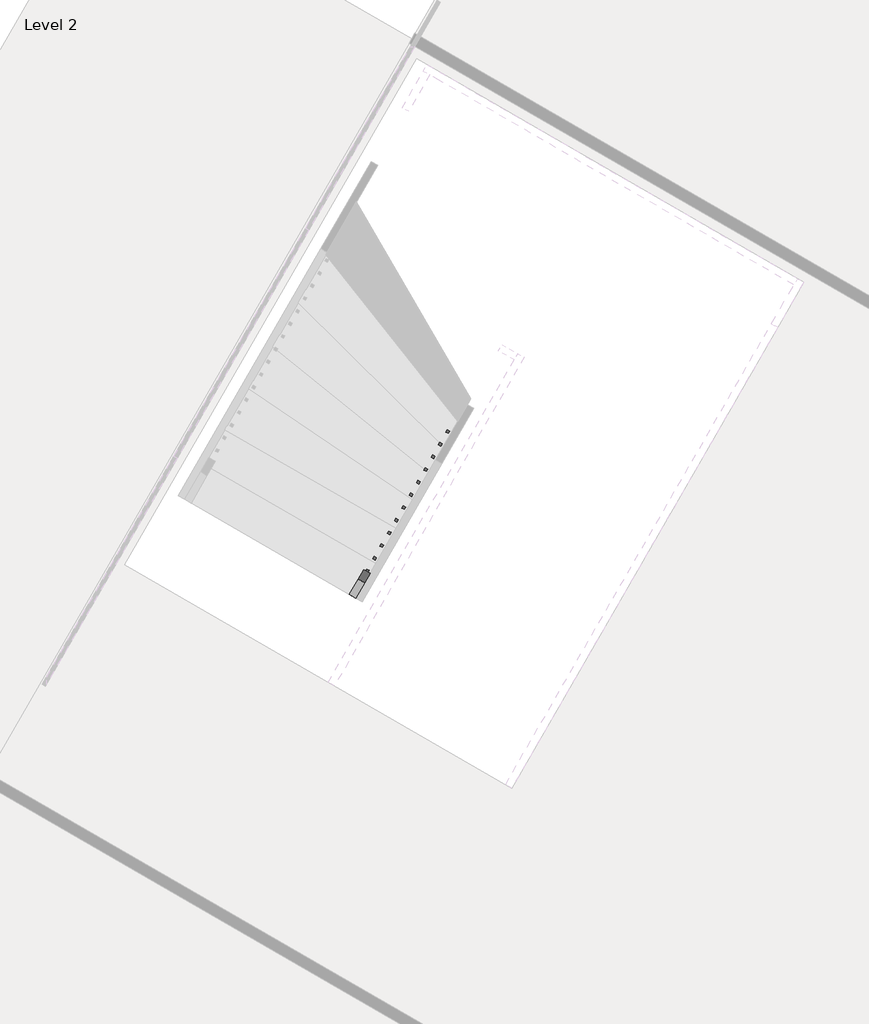
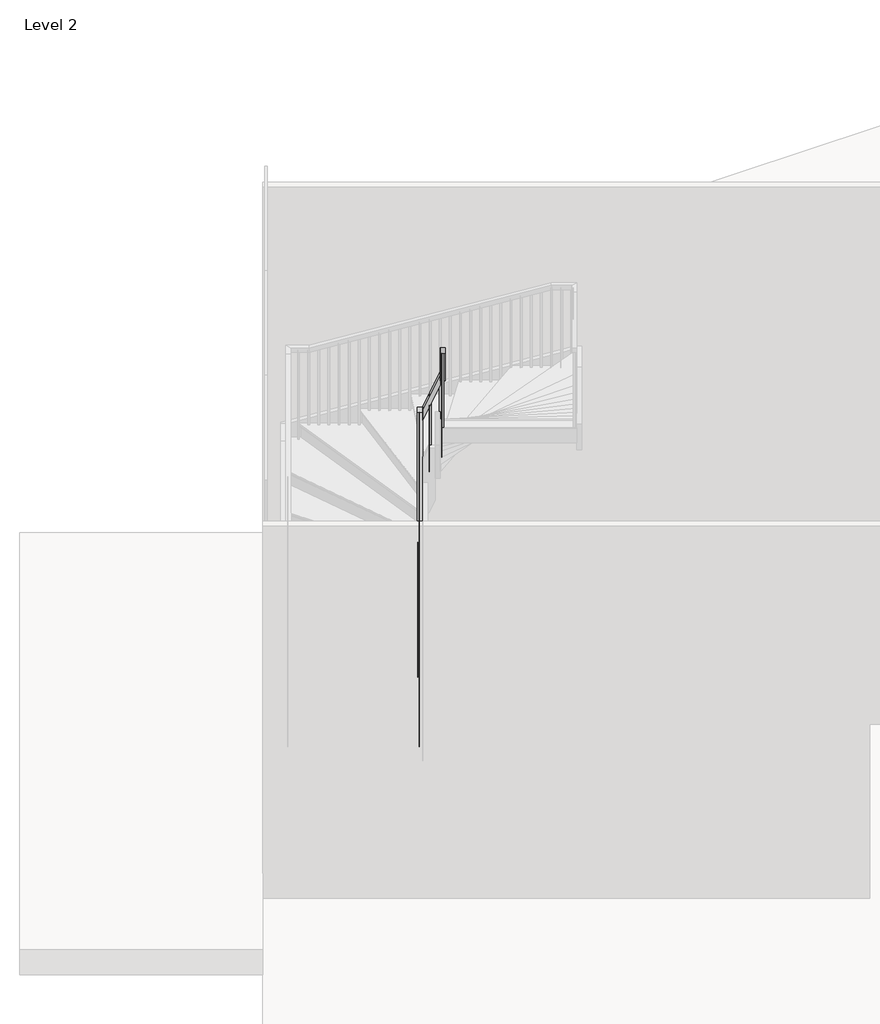
# One storey, part 4 of 5: 1 railing.
"""IFC4 building model written with IfcOpenShell, lengths in millimetres."""

from ifc_helpers import new_model, si_unit, frame, origin, place, context, project, spatial, polyline, outline, extrude, faceted_brep, element, save

model = new_model("IFC4")

# Units and contexts
model_context = context("Model", 3, world=origin())
ifc_project = project(units=[si_unit("LENGTHUNIT", "METRE", prefix="MILLI")], contexts=[model_context])

# Site, building, storey
site = spatial("IfcSite", under=ifc_project)
building = spatial("IfcBuilding", under=site)
storey = spatial("IfcBuildingStorey", under=building, Name="Level 2", Elevation=7620.0)

# Railing
placement = place(None, origin())
element("IfcRailing", 1, ObjectType="Handrail - Rectangular", at=placement, inside=storey, context=model_context, shape_type="SolidModel", body=[
    faceted_brep([(34014.7445548, -105247.8810454, 8710.2461538), (34014.7445548, -105247.8810454, 8642.1256213), (34058.7429103, -105273.2736568, 8642.1256213), (34058.7429103, -105273.2736568, 8710.2461538), (35013.3994654, -103517.4889589, 10495.1594253), (35023.0902639, -103500.6974918, 10444.3594253), (35067.0886194, -103526.0901032, 10444.3594253), (35057.3978209, -103542.8815702, 10495.1594253), (35056.3396329, -103443.0855535, 10495.1594253), (35100.3379884, -103468.4781649, 10495.1594253), (35100.3379884, -103468.4781649, 10444.3594253), (35056.3396329, -103443.0855535, 10444.3594253)], [[[0, 1, 2, 3]], [[1, 0, 4, 5]], [[2, 1, 5, 6]], [[3, 2, 6, 7]], [[0, 3, 7, 4]], [[8, 9, 10, 11]], [[5, 4, 8, 11]], [[6, 5, 11, 10]], [[7, 6, 10, 9]], [[4, 7, 9, 8]]]),
    faceted_brep([(35100.3379884, -103468.4781649, 10503.1386609), (35100.3379884, -103468.4781649, 10369.0722071), (35074.945377, -103512.4765204, 10369.0722071), (35074.945377, -103512.4765204, 10503.1386609), (35253.2433824, -103556.7239005, 10934.3105625), (35227.850771, -103600.722256, 10934.3105625), (35227.850771, -103600.722256, 10800.2441087), (35253.2433824, -103556.7239005, 10800.2441087)], [[[0, 1, 2, 3]], [[4, 5, 6, 7]], [[1, 0, 4, 7]], [[2, 1, 7, 6]], [[3, 2, 6, 5]], [[0, 3, 5, 4]]]),
    faceted_brep([(33954.6873083, -105908.39112, 13106.4), (33910.6889528, -105882.9985087, 13106.4), (33910.6889528, -105882.9985087, 13040.3438014), (33954.6873083, -105908.39112, 13040.3438014), (35244.9274311, -103672.7627016, 10894.924312), (35254.1024011, -103656.8650222, 10945.724312), (35200.9290756, -103647.3700902, 10894.924312), (35210.1040456, -103631.4724108, 10945.724312), (35297.2417379, -103582.1165118, 10945.724312), (35297.2417379, -103582.1165118, 10894.924312), (35253.2433824, -103556.7239005, 10894.924312), (35253.2433824, -103556.7239005, 10945.724312)], [[[0, 1, 2, 3]], [[4, 5, 0, 3]], [[6, 4, 3, 2]], [[7, 6, 2, 1]], [[5, 7, 1, 0]], [[8, 9, 10, 11]], [[9, 8, 5, 4]], [[10, 9, 4, 6]], [[11, 10, 6, 7]], [[8, 11, 7, 5]]]),
    extrude(outline(polyline([(236.5168117, -19.05), (220.6831883, 0.0), (1237.0891849, 0.0), (1237.0891849, -19.05), (236.5168117, -19.05)])), frame((33945.6190399, -105892.3446766, 13253.2430311), z_axis=(-0.8661093604012476, 0.4998545546709981, 0.0), x_axis=(0.0, 0.0, -1.0)), (0.0, 0.0, 1.0), 19.05),
    extrude(outline(polyline([(236.5168117, -19.05), (220.6831882, 0.0), (1152.6431932, 0.0), (1152.6431932, -19.05), (236.5168117, -19.05)])), frame((33996.4042626, -105804.3479656, 13168.7970394), z_axis=(-0.8661093604012476, 0.4998545546709981, 0.0), x_axis=(0.0, 0.0, -1.0)), (0.0, 0.0, 1.0), 19.05),
    extrude(outline(polyline([(236.5168118, -19.05), (220.6831883, 0.0), (1068.1972016, 0.0), (1068.1972016, -19.05), (236.5168118, -19.05)])), frame((34047.1894854, -105716.3512546, 13084.3510478), z_axis=(-0.8661093604012476, 0.4998545546709981, 0.0), x_axis=(0.0, 0.0, -1.0)), (0.0, 0.0, 1.0), 19.05),
    extrude(outline(polyline([(236.5168117, -19.05), (220.6831883, 0.0), (1159.5973638, 0.0), (1159.5973638, -19.05), (236.5168117, -19.05)])), frame((34097.9747081, -105628.3545436, 12999.9050561), z_axis=(-0.8661093604012476, 0.4998545546709981, 0.0), x_axis=(0.0, 0.0, -1.0)), (0.0, 0.0, 1.0), 19.05),
    extrude(outline(polyline([(236.5168117, -19.05), (220.6831883, 0.0), (1075.1513721, 0.0), (1075.1513721, -19.05), (236.5168117, -19.05)])), frame((34148.7599309, -105540.3578326, 12915.4590644), z_axis=(-0.8661093604012476, 0.4998545546709981, 0.0), x_axis=(0.0, 0.0, -1.0)), (0.0, 0.0, 1.0), 19.05),
    extrude(outline(polyline([(236.5168117, -19.05), (220.6831882, 0.0), (990.7053804, 0.0), (990.7053804, -19.05), (236.5168117, -19.05)])), frame((34199.5451536, -105452.3611215, 12831.0130727), z_axis=(-0.8661093604012476, 0.4998545546709981, 0.0), x_axis=(0.0, 0.0, -1.0)), (0.0, 0.0, 1.0), 19.05),
    extrude(outline(polyline([(236.5168118, -19.05), (220.6831883, 0.0), (1082.1055426, 0.0), (1082.1055426, -19.05), (236.5168118, -19.05)])), frame((34250.3303764, -105364.3644105, 12746.5670811), z_axis=(-0.8661093604012476, 0.4998545546709981, 0.0), x_axis=(0.0, 0.0, -1.0)), (0.0, 0.0, 1.0), 19.05),
    extrude(outline(polyline([(236.5168117, -19.05), (220.6831883, 0.0), (997.6595509, 0.0), (997.6595509, -19.05), (236.5168117, -19.05)])), frame((34301.1155991, -105276.3676995, 12662.1210894), z_axis=(-0.8661093604012476, 0.4998545546709981, 0.0), x_axis=(0.0, 0.0, -1.0)), (0.0, 0.0, 1.0), 19.05),
    extrude(outline(polyline([(236.5168117, -19.05), (220.6831883, 0.0), (1089.0597131, 0.0), (1089.0597131, -19.05), (236.5168117, -19.05)])), frame((34351.9008219, -105188.3709885, 12577.6750977), z_axis=(-0.8661093604012476, 0.4998545546709981, 0.0), x_axis=(0.0, 0.0, -1.0)), (0.0, 0.0, 1.0), 19.05),
    extrude(outline(polyline([(236.5168117, -19.05), (220.6831882, 0.0), (1004.6137214, 0.0), (1004.6137214, -19.05), (236.5168117, -19.05)])), frame((34402.6860446, -105100.3742775, 12493.229106), z_axis=(-0.8661093604012476, 0.4998545546709981, 0.0), x_axis=(0.0, 0.0, -1.0)), (0.0, 0.0, 1.0), 19.05),
    extrude(outline(polyline([(236.5168118, -19.0500001), (220.6831883, 0.0), (920.1677298, 0.0), (920.1677298, -19.0500001), (236.5168118, -19.0500001)])), frame((34453.4712674, -105012.3775665, 12408.7831144), z_axis=(-0.8661093604012476, 0.4998545546709981, 0.0), x_axis=(0.0, 0.0, -1.0)), (0.0, 0.0, 1.0), 19.05),
    extrude(outline(polyline([(236.5168117, -19.05), (220.6831883, 0.0), (1011.5678919, 0.0), (1011.5678919, -19.05), (236.5168117, -19.05)])), frame((34504.2564902, -104924.3808554, 12324.3371227), z_axis=(-0.8661093604012476, 0.4998545546709981, 0.0), x_axis=(0.0, 0.0, -1.0)), (0.0, 0.0, 1.0), 19.05),
    extrude(outline(polyline([(236.5168117, -19.05), (220.6831883, 0.0), (927.1219002, 0.0), (927.1219002, -19.05), (236.5168117, -19.05)])), frame((34555.0417129, -104836.3841444, 12239.891131), z_axis=(-0.8661093604012476, 0.4998545546709981, 0.0), x_axis=(0.0, 0.0, -1.0)), (0.0, 0.0, 1.0), 19.05),
    extrude(outline(polyline([(236.5168117, -19.05), (220.6831882, 0.0), (1018.5220624, 0.0), (1018.5220624, -19.05), (236.5168117, -19.05)])), frame((34605.8269357, -104748.3874334, 12155.4451393), z_axis=(-0.8661093604012476, 0.4998545546709981, 0.0), x_axis=(0.0, 0.0, -1.0)), (0.0, 0.0, 1.0), 19.05),
    extrude(outline(polyline([(236.5168118, -19.05), (220.6831883, 0.0), (934.0760708, 0.0), (934.0760708, -19.05), (236.5168118, -19.05)])), frame((34656.6121584, -104660.3907224, 12070.9991477), z_axis=(-0.8661093604012476, 0.4998545546709981, 0.0), x_axis=(0.0, 0.0, -1.0)), (0.0, 0.0, 1.0), 19.05),
    extrude(outline(polyline([(236.5168117, -19.05), (220.6831883, 0.0), (1025.4762329, 0.0), (1025.4762329, -19.05), (236.5168117, -19.05)])), frame((34707.3973812, -104572.3940114, 11986.553156), z_axis=(-0.8661093604012476, 0.4998545546709981, 0.0), x_axis=(0.0, 0.0, -1.0)), (0.0, 0.0, 1.0), 19.05),
    extrude(outline(polyline([(236.5168117, -19.0500001), (220.6831883, 0.0), (941.0302412, 0.0), (941.0302412, -19.0500001), (236.5168117, -19.0500001)])), frame((34758.1826039, -104484.3973004, 11902.1071643), z_axis=(-0.8661093604012476, 0.4998545546709981, 0.0), x_axis=(0.0, 0.0, -1.0)), (0.0, 0.0, 1.0), 19.05),
    extrude(outline(polyline([(236.5168117, -19.05), (220.6831882, 0.0), (856.5842495, 0.0), (856.5842495, -19.05), (236.5168117, -19.05)])), frame((34808.9678267, -104396.4005893, 11817.6611726), z_axis=(-0.8661093604012476, 0.4998545546709981, 0.0), x_axis=(0.0, 0.0, -1.0)), (0.0, 0.0, 1.0), 19.05),
    extrude(outline(polyline([(236.5168118, -19.05), (220.6831883, 0.0), (947.9844118, 0.0), (947.9844118, -19.05), (236.5168118, -19.05)])), frame((34859.7530494, -104308.4038783, 11733.215181), z_axis=(-0.8661093604012476, 0.4998545546709981, 0.0), x_axis=(0.0, 0.0, -1.0)), (0.0, 0.0, 1.0), 19.05),
    extrude(outline(polyline([(236.5168117, -19.05), (220.6831883, 0.0), (863.5384201, 0.0), (863.5384201, -19.05), (236.5168117, -19.05)])), frame((34910.5382722, -104220.4071673, 11648.7691893), z_axis=(-0.8661093604012476, 0.4998545546709981, 0.0), x_axis=(0.0, 0.0, -1.0)), (0.0, 0.0, 1.0), 19.05),
    extrude(outline(polyline([(236.5168117, -19.05), (220.6831883, 0.0), (954.9385822, 0.0), (954.9385822, -19.05), (236.5168117, -19.05)])), frame((34961.3234949, -104132.4104563, 11564.3231976), z_axis=(-0.8661093604012476, 0.4998545546709981, 0.0), x_axis=(0.0, 0.0, -1.0)), (0.0, 0.0, 1.0), 19.05),
    extrude(outline(polyline([(236.5168117, -19.05), (220.6831882, 0.0), (1046.3387444, 0.0), (1046.3387444, -19.05), (236.5168117, -19.05)])), frame((35012.1087177, -104044.4137453, 11479.8772059), z_axis=(-0.8661093604012476, 0.4998545546709981, 0.0), x_axis=(0.0, 0.0, -1.0)), (0.0, 0.0, 1.0), 19.05),
    extrude(outline(polyline([(236.5168118, -19.05), (220.6831883, 0.0), (961.8927528, 0.0), (961.8927528, -19.05), (236.5168118, -19.05)])), frame((35062.8939405, -103956.4170343, 11395.4312143), z_axis=(-0.8661093604012476, 0.4998545546709981, 0.0), x_axis=(0.0, 0.0, -1.0)), (0.0, 0.0, 1.0), 19.05),
    extrude(outline(polyline([(236.5168117, -19.05), (220.6831883, 0.0), (1053.2929149, 0.0), (1053.2929149, -19.05), (236.5168117, -19.05)])), frame((35113.6791632, -103868.4203232, 11310.9852226), z_axis=(-0.8661093604012476, 0.4998545546709981, 0.0), x_axis=(0.0, 0.0, -1.0)), (0.0, 0.0, 1.0), 19.05),
    extrude(outline(polyline([(236.5168117, -19.05), (220.6831883, 0.0), (1144.6930771, 0.0), (1144.6930771, -19.05), (236.5168117, -19.05)])), frame((35164.464386, -103780.4236122, 11226.5392309), z_axis=(-0.8661093604012476, 0.4998545546709981, 0.0), x_axis=(0.0, 0.0, -1.0)), (0.0, 0.0, 1.0), 19.05),
    extrude(outline(polyline([(236.5168117, -19.05), (220.6831882, 0.0), (1060.2470854, 0.0), (1060.2470854, -19.05), (236.5168117, -19.05)])), frame((35215.2496087, -103692.4269012, 11142.0932392), z_axis=(-0.8661093604012476, 0.4998545546709981, 0.0), x_axis=(0.0, 0.0, -1.0)), (0.0, 0.0, 1.0), 19.05),
    extrude(outline(polyline([(205.3370192, -19.05), (251.8629807, 0.0), (1125.9145148, 0.0), (1125.9145148, -19.05), (205.3370192, -19.05)])), frame((35228.6251207, -103582.8400595, 11031.9145148), z_axis=(0.4998545546710269, 0.8661093604012311, 0.0), x_axis=(0.0, 0.0, -1.0000000000000002)), (0.0, 0.0, 1.0), 19.05),
    extrude(outline(polyline([(205.3370192, -19.05), (251.8629808, 0.0), (1053.6222071, 0.0), (1053.6222071, -19.05), (205.3370192, -19.05)])), frame((35140.6284097, -103532.0548367, 10783.7760533), z_axis=(0.4998545546710269, 0.8661093604012311, 0.0), x_axis=(0.0, 0.0, -1.0000000000000002)), (0.0, 0.0, 1.0), 19.05),
    extrude(outline(polyline([(35055.9367647, -103513.6539371), (35039.4373814, -103504.1317078), (35048.9596106, -103487.6323245), (35065.4589939, -103497.1545538), (35055.9367647, -103513.6539371)])), frame((0.0, 0.0, 9554.3076923), z_axis=(0.0, 0.0, 1.0), x_axis=(1.0, 0.0, 0.0)), (0.0, 0.0, 1.0), 890.0517329),
    extrude(outline(polyline([(220.0903771, -19.05), (237.1096229, 0.0), (1216.8809905, 0.0), (1216.8809905, -19.05), (220.0903771, -19.05)])), frame((35005.1515419, -103601.6506481, 10595.342529), z_axis=(-0.8661093604012488, 0.49985455467099604, 0.0), x_axis=(0.0, 0.0, -1.0)), (0.0, 0.0, 1.0), 19.05),
    extrude(outline(polyline([(220.0903771, -19.05), (237.1096229, 0.0), (1301.9578334, 0.0), (1301.9578334, -19.05), (220.0903771, -19.05)])), frame((34954.3663192, -103689.6473591, 10504.573218), z_axis=(-0.8661093604012488, 0.49985455467099604, 0.0), x_axis=(0.0, 0.0, -1.0)), (0.0, 0.0, 1.0), 19.05),
    extrude(outline(polyline([(220.0903771, -19.05), (237.1096229, 0.0), (1211.1885225, 0.0), (1211.1885225, -19.05), (220.0903771, -19.05)])), frame((34903.5810964, -103777.6440701, 10413.8039071), z_axis=(-0.8661093604012488, 0.49985455467099604, 0.0), x_axis=(0.0, 0.0, -1.0)), (0.0, 0.0, 1.0), 19.05),
    extrude(outline(polyline([(220.0903771, -19.05), (237.1096229, 0.0), (1296.2653654, 0.0), (1296.2653654, -19.05), (220.0903771, -19.05)])), frame((34852.7958737, -103865.6407811, 10323.0345962), z_axis=(-0.8661093604012488, 0.49985455467099604, 0.0), x_axis=(0.0, 0.0, -1.0)), (0.0, 0.0, 1.0), 19.05),
    extrude(outline(polyline([(220.0903771, -19.0500001), (237.1096229, 0.0), (1381.3422083, 0.0), (1381.3422083, -19.0500001), (220.0903771, -19.0500001)])), frame((34802.0106509, -103953.6374922, 10232.2652852), z_axis=(-0.8661093604012488, 0.49985455467099604, 0.0), x_axis=(0.0, 0.0, -1.0)), (0.0, 0.0, 1.0), 19.05),
    extrude(outline(polyline([(220.0903771, -19.05), (237.1096229, 0.0), (1290.5728974, 0.0), (1290.5728974, -19.05), (220.0903771, -19.05)])), frame((34751.2254281, -104041.6342032, 10141.4959743), z_axis=(-0.8661093604012488, 0.49985455467099604, 0.0), x_axis=(0.0, 0.0, -1.0)), (0.0, 0.0, 1.0), 19.05),
    extrude(outline(polyline([(220.0903771, -19.05), (237.1096229, 0.0), (1375.6497403, 0.0), (1375.6497403, -19.05), (220.0903771, -19.05)])), frame((34700.4402054, -104129.6309142, 10050.7266634), z_axis=(-0.8661093604012488, 0.49985455467099604, 0.0), x_axis=(0.0, 0.0, -1.0)), (0.0, 0.0, 1.0), 19.05),
    extrude(outline(polyline([(220.0903771, -19.05), (237.1096229, 0.0), (1460.7265833, 0.0), (1460.7265833, -19.05), (220.0903771, -19.05)])), frame((34649.6549826, -104217.6276252, 9959.9573525), z_axis=(-0.8661093604012488, 0.49985455467099604, 0.0), x_axis=(0.0, 0.0, -1.0)), (0.0, 0.0, 1.0), 19.05),
    extrude(outline(polyline([(220.0903771, -19.05), (237.1096229, 0.0), (1369.9572723, 0.0), (1369.9572723, -19.05), (220.0903771, -19.05)])), frame((34598.8697599, -104305.6243362, 9869.1880415), z_axis=(-0.8661093604012488, 0.49985455467099604, 0.0), x_axis=(0.0, 0.0, -1.0)), (0.0, 0.0, 1.0), 19.05),
    extrude(outline(polyline([(220.0903771, -19.05), (237.1096229, 0.0), (1279.1879614, 0.0), (1279.1879614, -19.05), (220.0903771, -19.05)])), frame((34548.0845371, -104393.6210472, 9778.4187306), z_axis=(-0.8661093604012488, 0.49985455467099604, 0.0), x_axis=(0.0, 0.0, -1.0)), (0.0, 0.0, 1.0), 19.05),
    extrude(outline(polyline([(220.0903771, -19.05), (237.1096229, 0.0), (1364.2648043, 0.0), (1364.2648043, -19.05), (220.0903771, -19.05)])), frame((34497.2993144, -104481.6177583, 9687.6494197), z_axis=(-0.8661093604012488, 0.49985455467099604, 0.0), x_axis=(0.0, 0.0, -1.0)), (0.0, 0.0, 1.0), 19.05),
    extrude(outline(polyline([(220.0903771, -19.05), (237.1096229, 0.0), (1273.4954933, 0.0), (1273.4954933, -19.05), (220.0903771, -19.05)])), frame((34446.5140916, -104569.6144693, 9596.8801087), z_axis=(-0.8661093604012488, 0.49985455467099604, 0.0), x_axis=(0.0, 0.0, -1.0)), (0.0, 0.0, 1.0), 19.05),
    extrude(outline(polyline([(220.0903771, -19.05), (237.1096229, 0.0), (1358.5723363, 0.0), (1358.5723363, -19.05), (220.0903771, -19.05)])), frame((34395.7288689, -104657.6111803, 9506.1107978), z_axis=(-0.8661093604012488, 0.49985455467099604, 0.0), x_axis=(0.0, 0.0, -1.0)), (0.0, 0.0, 1.0), 19.05),
    extrude(outline(polyline([(220.0903771, -19.05), (237.1096229, 0.0), (1267.8030254, 0.0), (1267.8030254, -19.05), (220.0903771, -19.05)])), frame((34344.9436461, -104745.6078913, 9415.3414869), z_axis=(-0.8661093604012488, 0.49985455467099604, 0.0), x_axis=(0.0, 0.0, -1.0)), (0.0, 0.0, 1.0), 19.05),
    extrude(outline(polyline([(220.0903771, -19.05), (237.1096229, 0.0), (1352.8798683, 0.0), (1352.8798683, -19.05), (220.0903771, -19.05)])), frame((34294.1584234, -104833.6046023, 9324.572176), z_axis=(-0.8661093604012488, 0.49985455467099604, 0.0), x_axis=(0.0, 0.0, -1.0)), (0.0, 0.0, 1.0), 19.05),
    extrude(outline(polyline([(220.0903771, -19.05), (237.1096229, 0.0), (1262.1105573, 0.0), (1262.1105573, -19.05), (220.0903771, -19.05)])), frame((34243.3732006, -104921.6013133, 9233.802865), z_axis=(-0.8661093604012488, 0.49985455467099604, 0.0), x_axis=(0.0, 0.0, -1.0)), (0.0, 0.0, 1.0), 19.05),
    extrude(outline(polyline([(220.0903771, -19.0500001), (237.1096229, 0.0), (1171.3412464, 0.0), (1171.3412464, -19.0500001), (220.0903771, -19.0500001)])), frame((34192.5879778, -105009.5980244, 9143.0335541), z_axis=(-0.8661093604012488, 0.49985455467099604, 0.0), x_axis=(0.0, 0.0, -1.0)), (0.0, 0.0, 1.0), 19.05),
    extrude(outline(polyline([(220.0903771, -19.05), (237.1096229, 0.0), (1256.4180894, 0.0), (1256.4180894, -19.05), (220.0903771, -19.05)])), frame((34141.8027551, -105097.5947354, 9052.2642432), z_axis=(-0.8661093604012488, 0.49985455467099604, 0.0), x_axis=(0.0, 0.0, -1.0)), (0.0, 0.0, 1.0), 19.05),
    extrude(outline(polyline([(220.0903771, -19.05), (237.1096229, 0.0), (1165.6487784, 0.0), (1165.6487784, -19.05), (220.0903771, -19.05)])), frame((34091.0175323, -105185.5914464, 8961.4949322), z_axis=(-0.8661093604012488, 0.49985455467099604, 0.0), x_axis=(0.0, 0.0, -1.0)), (0.0, 0.0, 1.0), 19.05),
    extrude(outline(polyline([(205.3370193, -19.05), (251.8629808, 0.0), (1184.8787241, 0.0), (1184.8787241, -19.05), (205.3370193, -19.05)])), frame((35249.5354482, -103594.9079609, 11090.8787241), z_axis=(0.4998545546710269, 0.8661093604012311, 0.0), x_axis=(0.0, 0.0, -1.0000000000000002)), (0.0, 0.0, 1.0), 19.05),
    extrude(outline(polyline([(35069.131082, -103490.7918432), (35052.6316987, -103481.269614), (35062.1539279, -103464.7702306), (35078.6533113, -103474.2924599), (35069.131082, -103490.7918432)])), frame((0.0, 0.0, 9554.3076923), z_axis=(0.0, 0.0, 1.0), x_axis=(1.0, 0.0, 0.0)), (0.0, 0.0, 1.0), 890.0517329),
    extrude(outline(polyline([(236.5168117, -19.05), (220.6831882, 0.0), (1244.8731434, 0.0), (1244.8731434, -19.05), (236.5168117, -19.05)])), frame((33940.9378222, -105900.455929, 13261.0269896), z_axis=(-0.8661093604012476, 0.4998545546709981, 0.0), x_axis=(0.0, 0.0, -1.0)), (0.0, 0.0, 1.0), 19.05),
    extrude(outline(polyline([(220.0903771, -19.05), (237.1096229, 0.0), (1083.3890904, 0.0), (1083.3890904, -19.05), (220.0903771, -19.05)])), frame((34044.9934242, -105265.3384657, 8879.2352442), z_axis=(-0.8661093604012488, 0.49985455467099604, 0.0), x_axis=(0.0, 0.0, -1.0)), (0.0, 0.0, 1.0), 19.05),
])

save(model, "model.ifc")
